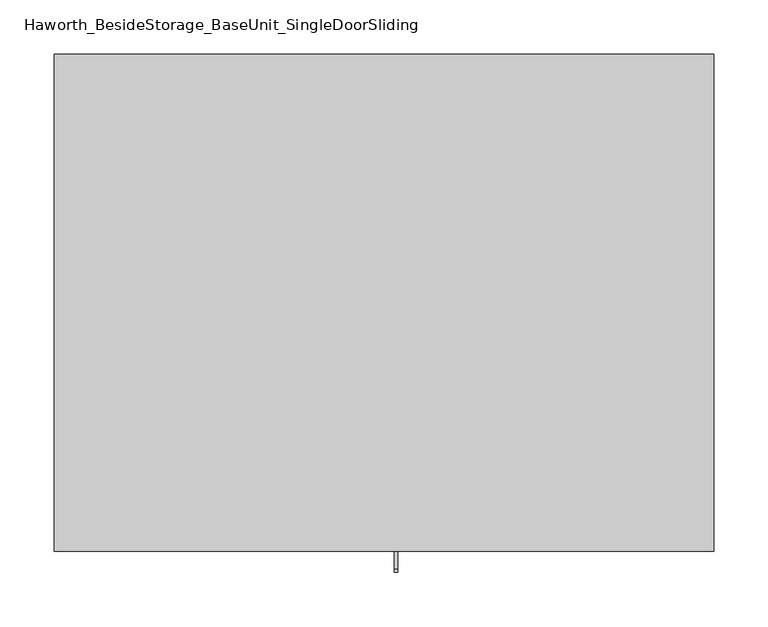
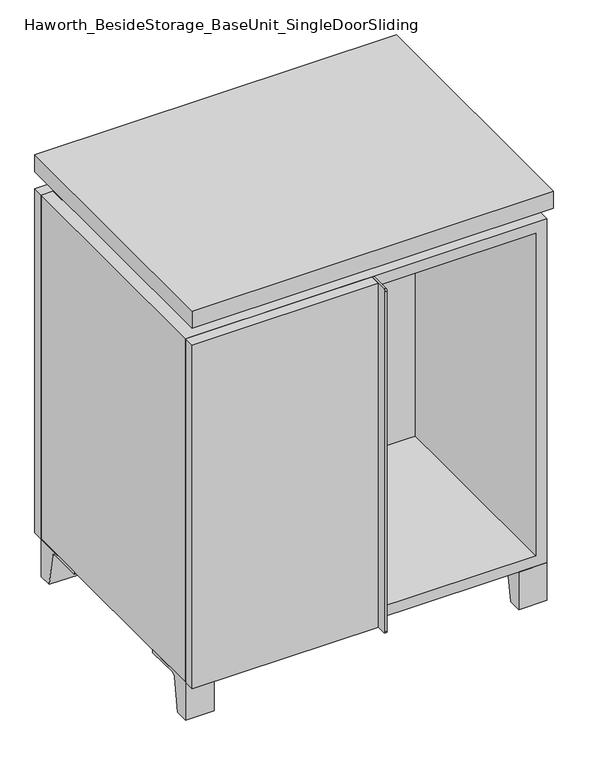
"""IFC4 building model written with IfcOpenShell, lengths in millimetres: furniture geometry, Haworth_BesideStorage_BaseUnit_SingleDoorSliding."""

from ifc_helpers import new_model, si_unit, point, frame, frame_2d, origin, place, context, project, spatial, polyline, circle_curve, trimmed, segment, composite_curve, outline, extrude, faceted_brep, source, transform, mapped, element, save


def haworth_besidestorage_baseunit_singledoorsliding_89c86349(model_context):
    return source(origin(), model_context, "Body", "SolidModel", [
        extrude(outline(composite_curve([segment(polyline([(-123.2958469, 0.0), (-146.05, 0.0), (-146.05, 66.675), (-50.8, 66.675), (-50.8, 61.8963321), (-107.6005345, 61.8963321)]), True, "CONTINUOUS"), segment(trimmed(circle_curve(frame_2d((-107.6005345, 55.5463321)), 6.35), [point((-107.6005345, 61.8963321))], [point((-113.8641359, 56.5902656))], True, "CARTESIAN"), True, "CONTINUOUS"), segment(polyline([(-113.8641359, 56.5902656), (-123.2958469, 0.0)]), True, "CONTINUOUS")], self_intersect=False)), frame((255.6013906, 0.0, 0.0), z_axis=(1.0, 0.0, 0.0), x_axis=(0.0, 1.0, 0.0)), (0.0, 0.0, 1.0), 47.625),
        extrude(outline(composite_curve([segment(polyline([(250.2958469, 0.0), (240.8641359, 56.5902656)]), True, "CONTINUOUS"), segment(trimmed(circle_curve(frame_2d((234.6005345, 55.5463321)), 6.35), [point((240.8641359, 56.5902656))], [point((234.6005345, 61.8963321))], True, "CARTESIAN"), True, "CONTINUOUS"), segment(polyline([(234.6005345, 61.8963321), (177.8, 61.8963321), (177.8, 66.675), (273.05, 66.675), (273.05, 0.0), (250.2958469, 0.0)]), True, "CONTINUOUS")], self_intersect=False)), frame((255.6013906, 0.0, 0.0), z_axis=(1.0, 0.0, 0.0), x_axis=(0.0, 1.0, 0.0)), (0.0, 0.0, 1.0), 47.625),
        extrude(outline(composite_curve([segment(polyline([(-123.2958469, 0.0), (-146.05, 0.0), (-146.05, 66.675), (-50.8, 66.675), (-50.8, 61.8963321), (-107.6005345, 61.8963321)]), True, "CONTINUOUS"), segment(trimmed(circle_curve(frame_2d((-107.6005345, 55.5463321)), 6.35), [point((-107.6005345, 61.8963321))], [point((-113.8641359, 56.5902656))], True, "CARTESIAN"), True, "CONTINUOUS"), segment(polyline([(-113.8641359, 56.5902656), (-123.2958469, 0.0)]), True, "CONTINUOUS")], self_intersect=False)), frame((-303.1986094, 0.0, 0.0), z_axis=(1.0, 0.0, 0.0), x_axis=(0.0, 1.0, 0.0)), (0.0, 0.0, 1.0), 47.625),
        extrude(outline(composite_curve([segment(polyline([(250.2958469, 0.0), (240.8641359, 56.5902656)]), True, "CONTINUOUS"), segment(trimmed(circle_curve(frame_2d((234.6005345, 55.5463321)), 6.35), [point((240.8641359, 56.5902656))], [point((234.6005345, 61.8963321))], True, "CARTESIAN"), True, "CONTINUOUS"), segment(polyline([(234.6005345, 61.8963321), (177.8, 61.8963321), (177.8, 66.675), (273.05, 66.675), (273.05, 0.0), (250.2958469, 0.0)]), True, "CONTINUOUS")], self_intersect=False)), frame((-303.1986094, 0.0, 0.0), z_axis=(1.0, 0.0, 0.0), x_axis=(0.0, 1.0, 0.0)), (0.0, 0.0, 1.0), 47.625),
        faceted_brep([(-303.1986094, -146.05, 66.675), (303.2125, -146.05, 66.675), (303.2125, -146.05, 676.275), (-303.1986094, -146.05, 676.275), (-284.1486094, -146.05, 85.725), (-284.1486094, -146.05, 657.225), (284.1694453, -146.05, 657.225), (284.1486094, -146.05, 85.725), (-303.1986094, 273.05, 66.675), (-303.1986094, 273.05, 676.275), (-284.1486094, 273.05, 676.275), (-284.1486094, 273.05, 85.725), (284.1486094, 273.05, 85.725), (284.1486094, 273.05, 676.275), (303.2125, 273.05, 676.275), (303.2125, 273.05, 66.675), (284.1486094, 247.65, 676.275), (-284.1416641, 247.65, 676.275), (-284.1486094, 247.65, 657.225), (284.1486094, 247.65, 657.225)], [[[0, 1, 2, 3], [4, 5, 6, 7]], [[8, 9, 10, 11, 12, 13, 14, 15]], [[1, 0, 8, 15]], [[2, 1, 15, 14]], [[3, 2, 14, 13, 16, 17, 10, 9]], [[0, 3, 9, 8]], [[11, 10, 17, 18, 5, 4]], [[13, 12, 7, 6, 19, 16]], [[4, 7, 12, 11]], [[6, 5, 18, 19]], [[17, 16, 19, 18]]]),
        extrude(outline(polyline([(303.2263906, -165.1), (-303.1986094, -165.1), (-303.1986094, 292.1), (303.2263906, 292.1), (303.2263906, -165.1)])), frame((0.0, 0.0, 706.4375), z_axis=(0.0, 0.0, 1.0), x_axis=(1.0, 0.0, 0.0)), (0.0, 0.0, 1.0), 30.1625),
        faceted_brep([(7.9513906, -69.85, 706.4375), (7.9513906, -69.85, 676.275), (7.9513906, 53.975, 676.275), (7.9513906, 53.975, 706.4375), (7.9513906, 196.85, 676.275), (7.9513906, 196.85, 706.4375), (7.9513906, 73.025, 706.4375), (7.9513906, 73.025, 676.275), (-7.9236094, 196.85, 706.4375), (-7.9236094, 196.85, 676.275), (-7.9236094, 73.025, 676.275), (-7.9236094, 73.025, 706.4375), (-7.9236094, -69.85, 676.275), (-7.9236094, -69.85, 706.4375), (-7.9236094, 53.975, 706.4375), (-7.9236094, 53.975, 676.275), (-261.8958281, 73.025, 706.4375), (-261.9166641, 247.65, 706.4375), (-277.7916641, 247.65, 706.4375), (-277.7916641, -120.65, 706.4375), (-261.9166641, -120.65, 706.4375), (-261.9166641, 53.975, 706.4375), (261.9236094, 53.975, 706.4375), (261.9236094, -120.65, 706.4375), (277.7986094, -120.65, 706.4375), (277.7986094, 247.65, 706.4375), (261.9236094, 247.65, 706.4375), (261.9236094, 73.025, 706.4375), (-261.8958281, 53.975, 676.275), (-261.9166641, -120.65, 676.275), (-277.7916641, -120.65, 676.275), (-277.7916641, 247.65, 676.275), (-261.9166641, 247.65, 676.275), (-261.9166641, 73.025, 676.275), (261.9236094, 73.025, 676.275), (261.9236094, 247.65, 676.275), (277.7986094, 247.65, 676.275), (277.7986094, -120.65, 676.275), (261.9236094, -120.65, 676.275), (261.9236094, 53.975, 676.275)], [[[0, 1, 2, 3]], [[4, 5, 6, 7]], [[8, 9, 10, 11]], [[12, 13, 14, 15]], [[5, 8, 11, 16, 17, 18, 19, 20, 21, 14, 13, 0, 3, 22, 23, 24, 25, 26, 27, 6]], [[1, 12, 15, 28, 29, 30, 31, 32, 33, 10, 9, 4, 7, 34, 35, 36, 37, 38, 39, 2]], [[5, 4, 9, 8]], [[1, 0, 13, 12]], [[6, 27, 34, 7]], [[22, 3, 2, 39]], [[20, 29, 28, 21]], [[32, 17, 16, 33]], [[18, 31, 30, 19]], [[29, 20, 19, 30]], [[17, 32, 31, 18]], [[26, 35, 34, 27]], [[38, 23, 22, 39]], [[25, 24, 37, 36]], [[23, 38, 37, 24]], [[35, 26, 25, 36]], [[16, 11, 10, 33]], [[14, 21, 28, 15]]]),
        extrude(outline(polyline([(9.5388906, 203.2), (9.5388906, -146.05), (-9.5111094, -146.05), (-9.5111094, 203.2), (9.5388906, 203.2)])), frame((0.0, 0.0, 85.725), z_axis=(0.0, 0.0, 1.0), x_axis=(1.0, 0.0, 0.0)), (0.0, 0.0, 1.0), 571.5),
        extrude(outline(polyline([(303.2263906, 273.05), (-303.1986094, 273.05), (-303.1986094, 292.1), (303.2263906, 292.1), (303.2263906, 273.05)])), frame((0.0, 0.0, 66.675), z_axis=(0.0, 0.0, 1.0), x_axis=(1.0, 0.0, 0.0)), (0.0, 0.0, 1.0), 609.6),
        extrude(outline(polyline([(-284.1416641, 203.2), (-284.1416641, 209.55), (284.1694453, 209.55), (284.1694453, 203.2), (-284.1416641, 203.2)])), frame((0.0, 0.0, 85.725), z_axis=(0.0, 0.0, 1.0), x_axis=(1.0, 0.0, 0.0)), (0.0, 0.0, 1.0), 571.5),
        extrude(outline(composite_curve([segment(polyline([(-146.05, 676.275), (-146.05, 66.675), (-180.975, 66.675)]), True, "CONTINUOUS"), segment(trimmed(circle_curve(frame_2d((-180.975, 69.85)), 3.175), [point((-180.975, 66.675))], [point((-184.15, 69.85))], False, "CARTESIAN"), True, "CONTINUOUS"), segment(polyline([(-184.15, 69.85), (-184.15, 673.1)]), True, "CONTINUOUS"), segment(trimmed(circle_curve(frame_2d((-180.975, 673.1)), 3.175), [point((-184.15, 673.1))], [point((-180.975, 676.275))], False, "CARTESIAN"), True, "CONTINUOUS"), segment(polyline([(-180.975, 676.275), (-146.05, 676.275)]), True, "CONTINUOUS")], self_intersect=False)), frame((9.5388906, 0.0, 0.0), z_axis=(1.0, 0.0, 0.0), x_axis=(0.0, 1.0, 0.0)), (0.0, 0.0, 1.0), 3.175),
        extrude(outline(polyline([(-303.1986094, -146.05), (9.5388906, -146.05), (9.5388906, -165.1), (-303.1986094, -165.1), (-303.1986094, -146.05)])), frame((0.0, 0.0, 66.675), z_axis=(0.0, 0.0, 1.0), x_axis=(1.0, 0.0, 0.0)), (0.0, 0.0, 1.0), 609.6),
    ])


if __name__ == "__main__":
    model = new_model("IFC4")
    model_context = context("Model", 3, world=origin())
    ifc_project = project(units=[si_unit("LENGTHUNIT", "METRE", prefix="MILLI")], contexts=[model_context])
    site = spatial("IfcSite", under=ifc_project)
    building = spatial("IfcBuilding", under=site)
    placement = place(None, origin())
    haworth_besidestorage_baseunit_singledoorsliding_shape = haworth_besidestorage_baseunit_singledoorsliding_89c86349(model_context)
    element("IfcFurniture", 1, ObjectType="Haworth_BesideStorage_BaseUnit_SingleDoorSliding", at=placement, inside=building, context=model_context, shape_type="MappedRepresentation", body=[
        mapped(haworth_besidestorage_baseunit_singledoorsliding_shape, transform((0.0, 0.0, 0.0), x_axis=(1.0, 0.0, 0.0), y_axis=(0.0, 1.0, 0.0), z_axis=(0.0, 0.0, 1.0))),
    ])
    save(model, "model.ifc")
